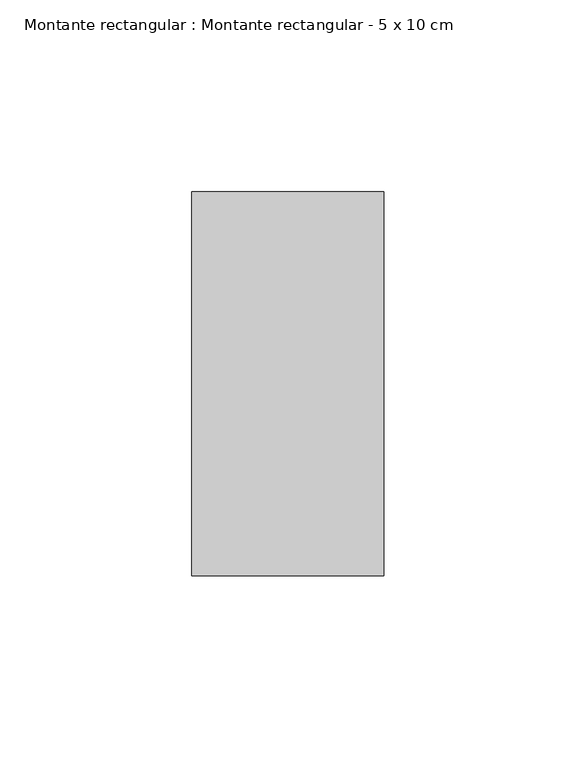
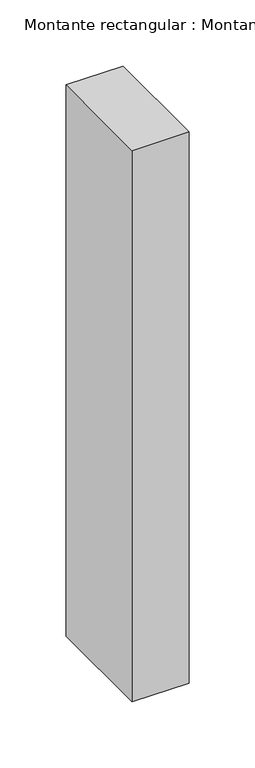
"""IFC4 building model written with IfcOpenShell, lengths in millimetres: member geometry, Montante rectangular : Montante rectangular - 5 x 10 cm."""

from ifc_helpers import new_model, si_unit, frame, origin, place, context, project, spatial, polyline, outline, extrude, source, transform, mapped, element, save


def montante_rectangular_montante_rectangular_5_x_10_cm_1b021481(model_context):
    return source(origin(), model_context, "Body", "SweptSolid", [
        extrude(outline(polyline([(0.0, 50.0), (0.0, -50.0), (-50.0, -50.0), (-50.0, 50.0), (0.0, 50.0)])), frame((0.0, 0.0, -510.0), z_axis=(0.0, 0.0, 1.0), x_axis=(1.0, 0.0, 0.0)), (0.0, 0.0, 1.0), 510.0),
    ])


if __name__ == "__main__":
    model = new_model("IFC4")
    model_context = context("Model", 3, world=origin())
    ifc_project = project(units=[si_unit("LENGTHUNIT", "METRE", prefix="MILLI")], contexts=[model_context])
    site = spatial("IfcSite", under=ifc_project)
    building = spatial("IfcBuilding", under=site)
    placement = place(None, origin())
    montante_rectangular_montante_rectangular_5_x_10_cm_shape = montante_rectangular_montante_rectangular_5_x_10_cm_1b021481(model_context)
    element("IfcMember", 1, ObjectType="Montante rectangular : Montante rectangular - 5 x 10 cm", at=placement, inside=building, context=model_context, shape_type="MappedRepresentation", body=[
        mapped(montante_rectangular_montante_rectangular_5_x_10_cm_shape, transform((0.0, 0.0, 0.0), x_axis=(1.0, 0.0, 0.0), y_axis=(0.0, 1.0, 0.0), z_axis=(0.0, 0.0, 1.0))),
    ])
    save(model, "model.ifc")
